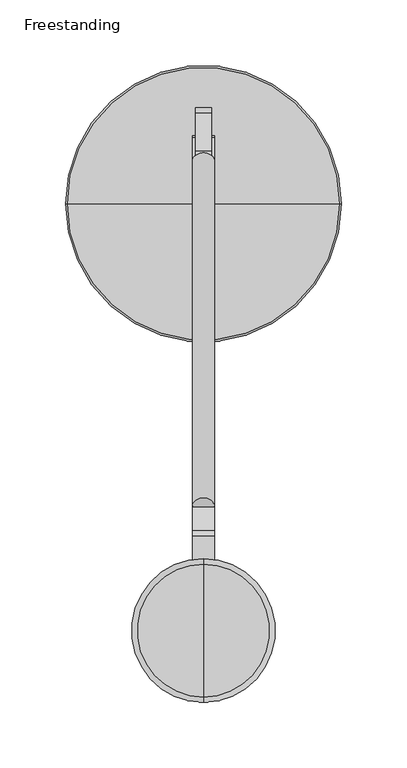
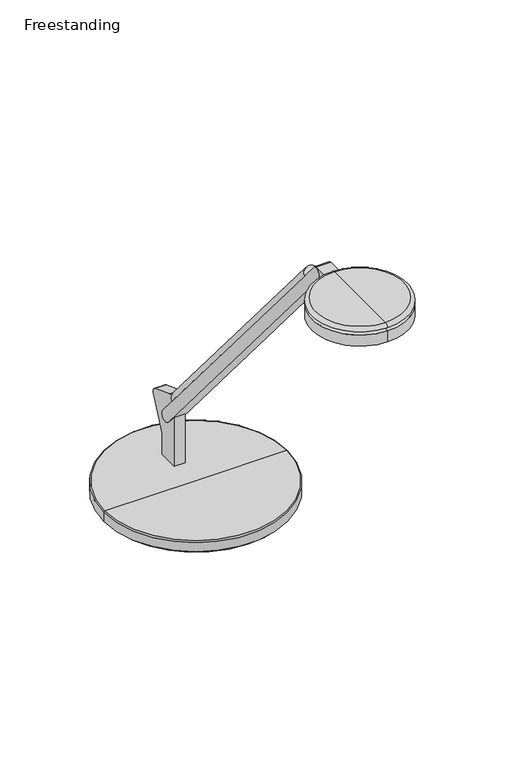
"""IFC4 building model written with IfcOpenShell, lengths in millimetres: furniture geometry, Freestanding."""

from ifc_helpers import new_model, si_unit, point, frame, frame_2d, origin, place, context, project, spatial, polyline, circle_curve, ellipse_curve, trimmed, segment, composite_curve, outline, extrude, source, transform, mapped, element, save
from ifc_brep_helpers import plane_surface, cylinder_surface, revolved_surface, advanced_brep


def freestanding_316f6fa0(model_context):
    return source(origin(), model_context, "Body", "SolidModel", [
        extrude(outline(composite_curve([segment(polyline([(8.509, -161.2861314), (-8.509, -161.2861314)]), True, "CONTINUOUS"), segment(trimmed(circle_curve(frame_2d((0.0, -161.2861314)), 8.509), [point((-8.509, -161.2861314))], [point((8.509, -161.2861314))], False, "CARTESIAN"), True, "CONTINUOUS")], self_intersect=False)), frame((0.0, 59.9275977, 934.0367561), z_axis=(0.0, -0.6453157173859881, 0.7639159802586981), x_axis=(1.0, 0.0, 0.0)), (0.0, 0.0, 1.0), 407.9752226),
        extrude(outline(composite_curve([segment(polyline([(1165.3599936, -383.6426805), (1162.4056, -381.1636499), (1162.4056, -366.3659959), (1151.5508717, -366.3659959), (1151.5508717, -352.0202702), (1154.3820582, -354.4102311)]), True, "CONTINUOUS"), segment(trimmed(circle_curve(frame_2d((1158.6105852, -349.1496158)), 6.7494084), [point((1154.3820582, -354.4102311))], [point((1165.3599936, -349.1496158))], True, "CARTESIAN"), True, "CONTINUOUS"), segment(polyline([(1165.3599936, -349.1496158), (1165.3599936, -383.6426805)]), True, "CONTINUOUS")], self_intersect=False)), frame((8.509, 0.0, 0.0), z_axis=(-1.0, 0.0, 0.0), x_axis=(0.0, 0.0, 1.0)), (0.0, 0.0, 1.0), 17.018),
        extrude(outline(composite_curve([segment(trimmed(circle_curve(frame_2d((-57.2760289, 827.3462287)), 6.4968459), [point((-63.6335559, 826.008))], [point((-54.9477675, 833.4115568))], False, "CARTESIAN"), True, "CONTINUOUS"), segment(polyline([(-54.9477675, 833.4115568), (-26.3337634, 822.4276697)]), True, "CONTINUOUS"), segment(trimmed(circle_curve(frame_2d((-28.6602337, 816.3670075)), 6.491848), [point((-26.3337634, 822.4276697))], [point((-24.0322898, 811.8144009))], False, "CARTESIAN"), True, "CONTINUOUS"), segment(polyline([(-24.0322898, 811.8144009), (-39.5289559, 777.008319), (-39.5289559, 750.951), (-63.6335559, 750.951), (-63.6335559, 826.008)]), True, "CONTINUOUS")], self_intersect=False)), frame((-6.223, 0.0, 0.0), z_axis=(1.0, 0.0, 0.0), x_axis=(0.0, 1.0, 0.0)), (0.0, 0.0, 1.0), 12.446),
        advanced_brep(
        [(0.0, -95.563788, 750.9476331), (103.8479, -95.563788, 750.9476331), (-103.8479, -95.563788, 750.9476331), (-93.0792702, -95.563788, 731.9816908), (93.0792702, -95.563788, 731.9816908), (0.0, -95.563788, 731.9816908), (-93.0792702, -95.563788, 732.8852565), (93.0792702, -95.563788, 732.8852565), (-95.8939876, -95.563788, 732.8852565), (95.8939876, -95.563788, 732.8852565), (-102.4300117, -95.563788, 735.7952819), (102.4300117, -95.563788, 735.7952819), (-102.4300117, -95.563788, 738.6286331), (102.4300117, -95.563788, 738.6286331), (-105.3308643, -95.563788, 738.6286331), (105.3308643, -95.563788, 738.6286331), (-105.3308643, -95.563788, 749.4646687), (105.3308643, -95.563788, 749.4646687)],
        [
            (0, 1),
            (1, 2, circle_curve(frame((0.0, -95.563788, 750.9476331), z_axis=(0.0, 0.0, 1.0), x_axis=(1.0, 0.0, 0.0)), 103.8479)),
            (2, 0),
            (2, 1, circle_curve(frame((0.0, -95.563788, 750.9476331), z_axis=(0.0, 0.0, 1.0), x_axis=(1.0, 0.0, 0.0)), 103.8479)),
            (3, 4, circle_curve(frame((0.0, -95.563788, 731.9816908), z_axis=(0.0, 0.0, -1.0), x_axis=(1.0, 0.0, 0.0)), 93.0792702)),
            (4, 5),
            (5, 3),
            (4, 3, circle_curve(frame((0.0, -95.563788, 731.9816908), z_axis=(0.0, 0.0, -1.0), x_axis=(1.0, 0.0, 0.0)), 93.0792702)),
            (6, 7, circle_curve(frame((0.0, -95.563788, 732.8852565), z_axis=(0.0, 0.0, -1.0), x_axis=(1.0, 0.0, 0.0)), 93.0792702)),
            (7, 4),
            (3, 6),
            (7, 6, circle_curve(frame((0.0, -95.563788, 732.8852565), z_axis=(0.0, 0.0, -1.0), x_axis=(1.0, 0.0, 0.0)), 93.0792702)),
            (8, 9, circle_curve(frame((0.0, -95.563788, 732.8852565), z_axis=(0.0, 0.0, -1.0), x_axis=(1.0, 0.0, 0.0)), 95.8939876)),
            (9, 7),
            (6, 8),
            (9, 8, circle_curve(frame((0.0, -95.563788, 732.8852565), z_axis=(0.0, 0.0, -1.0), x_axis=(1.0, 0.0, 0.0)), 95.8939876)),
            (10, 11, circle_curve(frame((0.0, -95.563788, 735.7952819), z_axis=(0.0, 0.0, -1.0), x_axis=(1.0, 0.0, 0.0)), 102.4300117)),
            (11, 9),
            (8, 10),
            (11, 10, circle_curve(frame((0.0, -95.563788, 735.7952819), z_axis=(0.0, 0.0, -1.0), x_axis=(1.0, 0.0, 0.0)), 102.4300117)),
            (12, 13, circle_curve(frame((0.0, -95.563788, 738.6286331), z_axis=(0.0, 0.0, -1.0), x_axis=(1.0, 0.0, 0.0)), 102.4300117)),
            (13, 11),
            (10, 12),
            (13, 12, circle_curve(frame((0.0, -95.563788, 738.6286331), z_axis=(0.0, 0.0, -1.0), x_axis=(1.0, 0.0, 0.0)), 102.4300117)),
            (14, 15, circle_curve(frame((0.0, -95.563788, 738.6286331), z_axis=(0.0, 0.0, -1.0), x_axis=(1.0, 0.0, 0.0)), 105.3308643)),
            (15, 13),
            (12, 14),
            (15, 14, circle_curve(frame((0.0, -95.563788, 738.6286331), z_axis=(0.0, 0.0, -1.0), x_axis=(1.0, 0.0, 0.0)), 105.3308643)),
            (16, 17, circle_curve(frame((0.0, -95.563788, 749.4646687), z_axis=(0.0, 0.0, -1.0), x_axis=(1.0, 0.0, 0.0)), 105.3308643)),
            (17, 15),
            (14, 16),
            (17, 16, circle_curve(frame((0.0, -95.563788, 749.4646687), z_axis=(0.0, 0.0, -1.0), x_axis=(1.0, 0.0, 0.0)), 105.3308643)),
            (1, 17, circle_curve(frame((103.8479, -95.563788, 749.4646687), z_axis=(0.0, 1.0, 0.0), x_axis=(1.0, 0.0, 0.0)), 1.4829643)),
            (16, 2, circle_curve(frame((-103.8479, -95.563788, 749.4646687), z_axis=(0.0, 1.0, 0.0), x_axis=(-1.0, 0.0, 0.0)), 1.4829643)),
        ],
        [
            plane_surface(frame((0.0, -95.563788, 750.9476331), z_axis=(0.0, 0.0, 1.0), x_axis=(1.0, 0.0, 0.0))),
            plane_surface(frame((0.0, -95.563788, 731.9816908), z_axis=(0.0, 0.0, -1.0), x_axis=(1.0, 0.0, 0.0))),
            cylinder_surface(frame((0.0, -95.563788, 757.2976331), z_axis=(0.0, 0.0, 1.0), x_axis=(1.0, 0.0, 0.0)), 93.0792702),
            plane_surface(frame((0.0, -95.563788, 732.8852565), z_axis=(0.0, 0.0, -1.0), x_axis=(1.0, 0.0, 0.0))),
            revolved_surface(polyline([(95.8939876, -95.563788, 732.8852565), (102.4300117, -95.563788, 735.7952819)]), (0.0, -95.563788, 757.2976331), (0.0, 0.0, 1.0)),
            cylinder_surface(frame((0.0, -95.563788, 757.2976331), z_axis=(0.0, 0.0, 1.0), x_axis=(1.0, 0.0, 0.0)), 102.4300117),
            plane_surface(frame((0.0, -95.563788, 738.6286331), z_axis=(0.0, 0.0, -1.0), x_axis=(1.0, 0.0, 0.0))),
            cylinder_surface(frame((0.0, -95.563788, 757.2976331), z_axis=(0.0, 0.0, 1.0), x_axis=(1.0, 0.0, 0.0)), 105.3308643),
            revolved_surface(trimmed(ellipse_curve(frame((103.8479, -95.563788, 749.4646687), z_axis=(0.0, -1.0, 0.0), x_axis=(1.0, 0.0, 0.0)), 1.4829643, 1.4829643), [point((105.3308643, -95.563788, 749.4646687))], [point((103.8479, -95.563788, 750.9476331))], True, "CARTESIAN"), (0.0, -95.563788, 757.2976331), (0.0, 0.0, 1.0)),
        ],
        [
            (0, [[1, 2, 3]]),
            (0, [[-3, 4, -1]]),
            (1, [[5, 6, 7]]),
            (1, [[8, -7, -6]]),
            (2, [[9, 10, -5, 11]]),
            (2, [[12, -11, -8, -10]]),
            (3, [[13, 14, -9, 15]]),
            (3, [[16, -15, -12, -14]]),
            (4, [[17, 18, -13, 19]]),
            (4, [[20, -19, -16, -18]]),
            (5, [[21, 22, -17, 23]]),
            (5, [[24, -23, -20, -22]]),
            (6, [[25, 26, -21, 27]]),
            (6, [[28, -27, -24, -26]]),
            (7, [[29, 30, -25, 31]]),
            (7, [[32, -31, -28, -30]]),
            (8, [[-2, 33, -29, 34]]),
            (8, [[-4, -34, -32, -33]]),
        ],
    ),
        advanced_brep(
        [(0.0, -366.3659959, 1166.2156), (0.0, -475.8399959, 1166.2156), (0.0, -471.7839412, 1170.0256), (0.0, -370.4220506, 1170.0256), (0.0, -384.354515, 1166.2156), (0.0, -457.8514768, 1166.2156), (0.0, -381.6867242, 1162.4056), (0.0, -460.5192676, 1162.4056), (0.0, -366.3659959, 1162.4056), (0.0, -475.8399959, 1162.4056), (0.0, -366.3659959, 1149.0706), (0.0, -475.8399959, 1149.0706), (0.0, -421.1029959, 1149.0706), (0.0, -421.1029959, 1170.0256)],
        [
            (0, 1, circle_curve(frame((0.0, -421.1029959, 1166.2156), z_axis=(0.0, 0.0, 1.0), x_axis=(0.0, -1.0, 0.0)), 54.737)),
            (1, 2, circle_curve(frame((0.0, -471.7839412, 1165.9616), z_axis=(-1.0, 0.0, 0.0), x_axis=(0.0, -1.0, 0.0)), 4.064)),
            (2, 3, circle_curve(frame((0.0, -421.1029959, 1170.0256), z_axis=(0.0, 0.0, -1.0), x_axis=(0.0, -1.0, 0.0)), 50.6809453)),
            (3, 0, circle_curve(frame((0.0, -370.4220506, 1165.9616), z_axis=(-1.0, 0.0, 0.0), x_axis=(0.0, 1.0, 0.0)), 4.064)),
            (1, 0, circle_curve(frame((0.0, -421.1029959, 1166.2156), z_axis=(0.0, 0.0, 1.0), x_axis=(0.0, -1.0, 0.0)), 54.737)),
            (3, 2, circle_curve(frame((0.0, -421.1029959, 1170.0256), z_axis=(0.0, 0.0, -1.0), x_axis=(0.0, -1.0, 0.0)), 50.6809453)),
            (4, 5, circle_curve(frame((0.0, -421.1029959, 1166.2156), z_axis=(0.0, 0.0, 1.0), x_axis=(0.0, -1.0, 0.0)), 36.7484809)),
            (5, 1),
            (0, 4),
            (5, 4, circle_curve(frame((0.0, -421.1029959, 1166.2156), z_axis=(0.0, 0.0, 1.0), x_axis=(0.0, -1.0, 0.0)), 36.7484809)),
            (6, 7, circle_curve(frame((0.0, -421.1029959, 1162.4056), z_axis=(0.0, 0.0, 1.0), x_axis=(0.0, -1.0, 0.0)), 39.4162717)),
            (7, 5),
            (4, 6),
            (7, 6, circle_curve(frame((0.0, -421.1029959, 1162.4056), z_axis=(0.0, 0.0, 1.0), x_axis=(0.0, -1.0, 0.0)), 39.4162717)),
            (8, 9, circle_curve(frame((0.0, -421.1029959, 1162.4056), z_axis=(0.0, 0.0, 1.0), x_axis=(0.0, -1.0, 0.0)), 54.737)),
            (9, 7),
            (6, 8),
            (9, 8, circle_curve(frame((0.0, -421.1029959, 1162.4056), z_axis=(0.0, 0.0, 1.0), x_axis=(0.0, -1.0, 0.0)), 54.737)),
            (10, 11, circle_curve(frame((0.0, -421.1029959, 1149.0706), z_axis=(0.0, 0.0, 1.0), x_axis=(0.0, -1.0, 0.0)), 54.737)),
            (11, 9),
            (8, 10),
            (11, 10, circle_curve(frame((0.0, -421.1029959, 1149.0706), z_axis=(0.0, 0.0, 1.0), x_axis=(0.0, -1.0, 0.0)), 54.737)),
            (12, 11),
            (10, 12),
            (2, 13),
            (13, 3),
        ],
        [
            revolved_surface(trimmed(ellipse_curve(frame((0.0, -471.7839412, 1165.9616), z_axis=(1.0, 0.0, 0.0), x_axis=(0.0, -1.0, 0.0)), 4.064, 4.064), [point((0.0, -471.7839412, 1170.0256))], [point((0.0, -475.8399959, 1166.2156))], True, "CARTESIAN"), (0.0, -421.1029959, 1170.0256), (0.0, 0.0, -1.0)),
            plane_surface(frame((0.0, -421.1029959, 1166.2156), z_axis=(0.0, 0.0, -1.0), x_axis=(0.0, -1.0, 0.0))),
            revolved_surface(polyline([(0.0, -457.8514768, 1166.2156), (0.0, -460.5192676, 1162.4056)]), (0.0, -421.1029959, 1170.0256), (0.0, 0.0, -1.0)),
            plane_surface(frame((0.0, -421.1029959, 1162.4056), z_axis=(0.0, 0.0, 1.0), x_axis=(0.0, -1.0, 0.0))),
            cylinder_surface(frame((0.0, -421.1029959, 1170.0256), z_axis=(0.0, 0.0, -1.0), x_axis=(0.0, -1.0, 0.0)), 54.737),
            plane_surface(frame((0.0, -421.1029959, 1149.0706), z_axis=(0.0, 0.0, -1.0), x_axis=(0.0, -1.0, 0.0))),
            plane_surface(frame((0.0, -421.1029959, 1170.0256), z_axis=(0.0, 0.0, 1.0), x_axis=(0.0, -1.0, 0.0))),
        ],
        [
            (0, [[1, 2, 3, 4]]),
            (0, [[5, -4, 6, -2]]),
            (1, [[7, 8, -1, 9]]),
            (1, [[10, -9, -5, -8]]),
            (2, [[11, 12, -7, 13]]),
            (2, [[14, -13, -10, -12]]),
            (3, [[15, 16, -11, 17]]),
            (3, [[18, -17, -14, -16]]),
            (4, [[19, 20, -15, 21]]),
            (4, [[22, -21, -18, -20]]),
            (5, [[23, -19, 24]]),
            (5, [[-24, -22, -23]]),
            (6, [[-3, 25, 26]]),
            (6, [[-6, -26, -25]]),
        ],
    ),
        extrude(outline(composite_curve([segment(trimmed(circle_curve(frame_2d((-50.3508694, 804.4209036)), 6.6004988), [point((-45.3086429, 808.6803092))], [point((-55.394567, 800.16324))], False, "CARTESIAN"), True, "CONTINUOUS"), segment(polyline([(-55.394567, 800.16324), (-354.4102311, 1154.3820582)]), True, "CONTINUOUS"), segment(trimmed(circle_curve(frame_2d((-349.4277131, 1158.5880769)), 6.5204355), [point((-354.4102311, 1154.3820582))], [point((-344.4466482, 1162.7958164))], False, "CARTESIAN"), True, "CONTINUOUS"), segment(polyline([(-344.4466482, 1162.7958164), (-45.3086429, 808.6803092)]), True, "CONTINUOUS")], self_intersect=False)), frame((-8.509, 0.0, 0.0), z_axis=(1.0, 0.0, 0.0), x_axis=(0.0, 1.0, 0.0)), (0.0, 0.0, 1.0), 17.018),
    ])


if __name__ == "__main__":
    model = new_model("IFC4")
    model_context = context("Model", 3, world=origin())
    ifc_project = project(units=[si_unit("LENGTHUNIT", "METRE", prefix="MILLI")], contexts=[model_context])
    site = spatial("IfcSite", under=ifc_project)
    building = spatial("IfcBuilding", under=site)
    placement = place(None, origin())
    freestanding_shape = freestanding_316f6fa0(model_context)
    element("IfcFurniture", 1, ObjectType="Freestanding", at=placement, inside=building, context=model_context, shape_type="MappedRepresentation", body=[
        mapped(freestanding_shape, transform((0.0, 0.0, 0.0), x_axis=(1.0, 0.0, 0.0), y_axis=(0.0, 1.0, 0.0), z_axis=(0.0, 0.0, 1.0))),
    ])
    save(model, "model.ifc")
